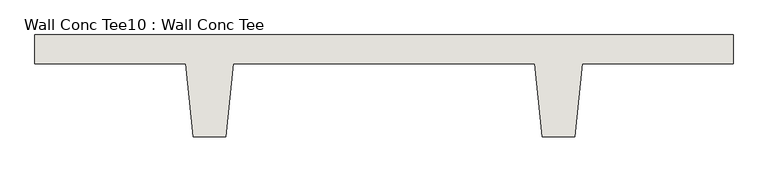
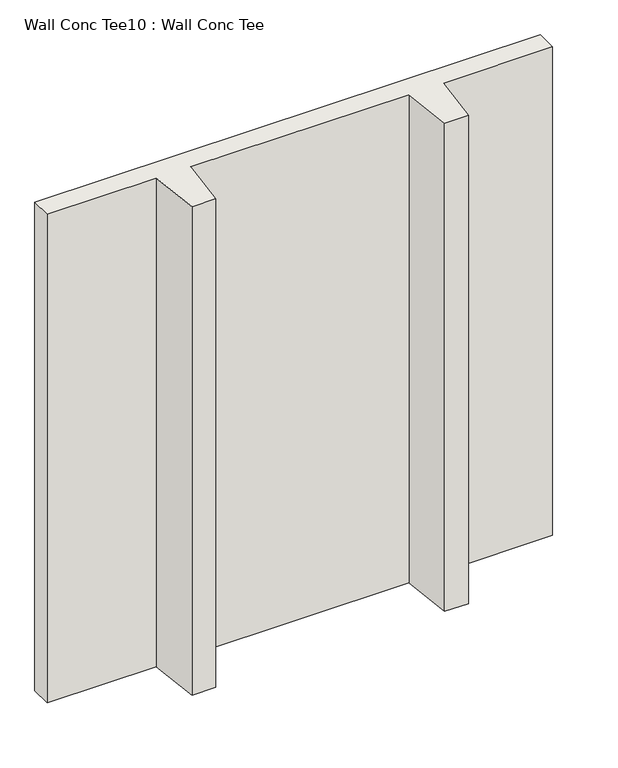
"""IFC4 building model written with IfcOpenShell, lengths in millimetres: wall geometry, Wall Conc Tee10 : Wall Conc Tee."""

from ifc_helpers import new_model, si_unit, frame, origin, place, context, project, spatial, polyline, outline, extrude, source, transform, mapped, element, save


def wall_conc_tee10_wall_conc_tee_c9732a9b(model_context):
    return source(origin(), model_context, "Body", "SweptSolid", [
        extrude(outline(polyline([(232118.6728488, 159042.8596581), (232118.6728488, 158941.2596581), (231591.6228488, 158941.2596581), (231566.2228488, 158687.2596581), (231451.9228488, 158687.2596581), (231426.5228488, 158941.2596581), (230372.4228488, 158941.2596581), (230347.0228488, 158687.2596581), (230232.7228488, 158687.2596581), (230207.3228488, 158941.2596581), (229680.2728488, 158941.2596581), (229680.2728488, 159042.8596581), (232118.6728488, 159042.8596581)])), frame((0.0, 0.0, 2886.9592564), z_axis=(0.0, 0.0, 1.0), x_axis=(1.0, 0.0, 0.0)), (0.0, 0.0, 1.0), 2489.2087123),
    ])


if __name__ == "__main__":
    model = new_model("IFC4")
    model_context = context("Model", 3, world=origin())
    ifc_project = project(units=[si_unit("LENGTHUNIT", "METRE", prefix="MILLI")], contexts=[model_context])
    site = spatial("IfcSite", under=ifc_project)
    building = spatial("IfcBuilding", under=site)
    placement = place(None, origin())
    wall_conc_tee10_wall_conc_tee_shape = wall_conc_tee10_wall_conc_tee_c9732a9b(model_context)
    element("IfcWall", 1, ObjectType="Wall Conc Tee10 : Wall Conc Tee", at=placement, inside=building, context=model_context, shape_type="MappedRepresentation", body=[
        mapped(wall_conc_tee10_wall_conc_tee_shape, transform((0.0, 0.0, 0.0), x_axis=(1.0, 0.0, 0.0), y_axis=(0.0, 1.0, 0.0), z_axis=(0.0, 0.0, 1.0))),
    ])
    save(model, "model.ifc")
